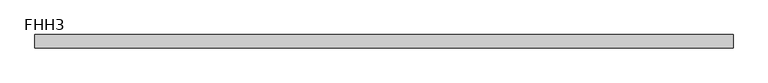
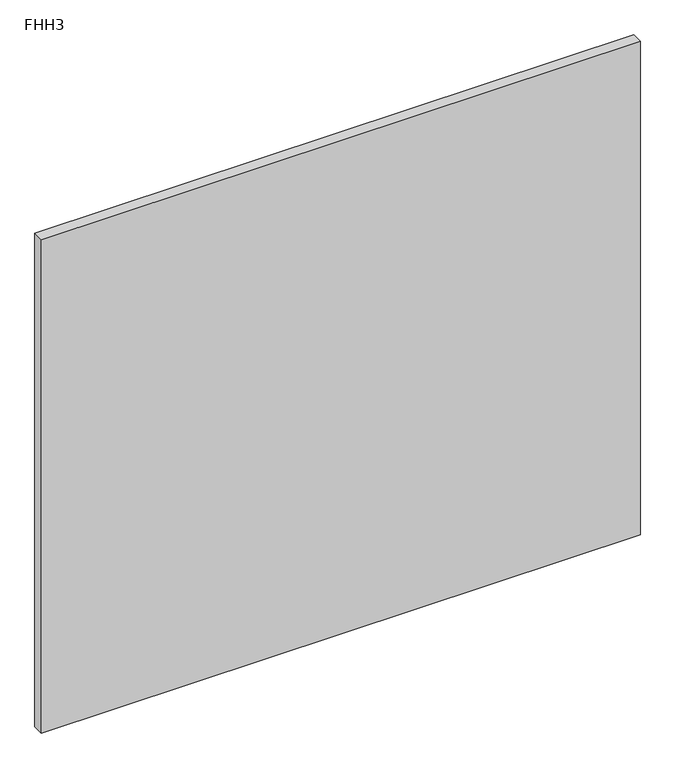
"""IFC4 building model written with IfcOpenShell, lengths in millimetres: proxy geometry, FHH3."""

from ifc_helpers import new_model, si_unit, frame, origin, place, context, project, spatial, polyline, outline, extrude, source, transform, mapped, element, save


def fhh3_bf8e87d7(model_context):
    return source(origin(), model_context, "Body", "SweptSolid", [
        extrude(outline(polyline([(506.1204, 0.0), (-506.1204, 0.0), (-506.1204, 19.05), (506.1204, 19.05), (506.1204, 0.0)])), frame((0.0, 0.0, 3.175), z_axis=(0.0, 0.0, 1.0), x_axis=(1.0, 0.0, 0.0)), (0.0, 0.0, 1.0), 881.1594995),
    ])


if __name__ == "__main__":
    model = new_model("IFC4")
    model_context = context("Model", 3, world=origin())
    ifc_project = project(units=[si_unit("LENGTHUNIT", "METRE", prefix="MILLI")], contexts=[model_context])
    site = spatial("IfcSite", under=ifc_project)
    building = spatial("IfcBuilding", under=site)
    placement = place(None, origin())
    fhh3_shape = fhh3_bf8e87d7(model_context)
    element("IfcBuildingElementProxy", 1, Name="FHH3", ObjectType="FHH3", at=placement, inside=building, context=model_context, shape_type="MappedRepresentation", body=[
        mapped(fhh3_shape, transform((0.0, 0.0, 0.0), x_axis=(1.0, 0.0, 0.0), y_axis=(0.0, 1.0, 0.0), z_axis=(0.0, 0.0, 1.0))),
    ])
    save(model, "model.ifc")
